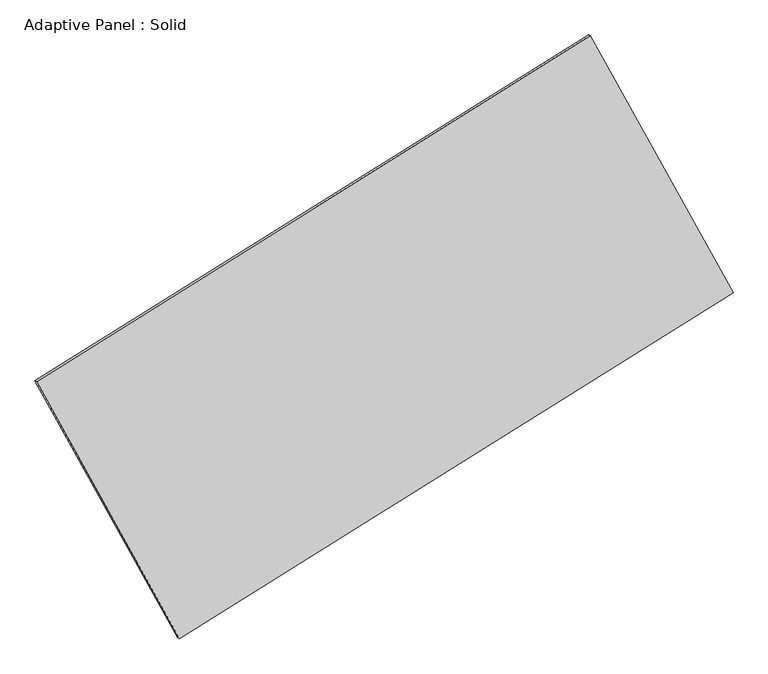
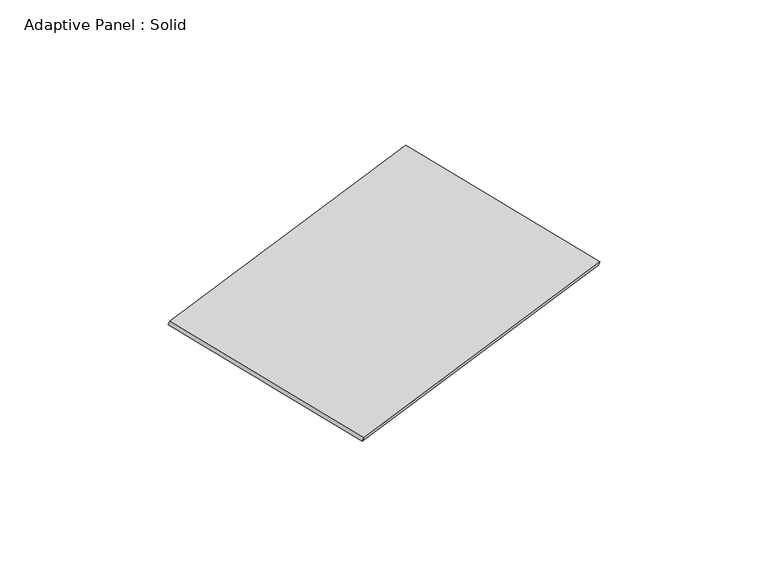
"""IFC4 building model written with IfcOpenShell, lengths in millimetres: plate geometry, Adaptive Panel : Solid."""

from ifc_helpers import new_model, si_unit, frame, origin, place, context, project, spatial, polyline, outline, extrude, source, transform, mapped, element, save


def adaptive_panel_solid_cb4d9eb2(model_context):
    return source(origin(), model_context, "Body", "SweptSolid", [
        extrude(outline(polyline([(-1345.9517165, 2941.1863125), (1345.9517166, 2941.1863125), (1345.9517165, -2941.1863125), (-1345.9517165, -2941.1863126), (-1345.9517165, 2941.1863125)])), frame((-650.8226445, -100.0621432, 871.2806301), z_axis=(0.2933271166111756, -0.12760186928687223, 0.9474581603506668), x_axis=(0.469250816419603, -0.8442360267241349, -0.2589772238452292)), (0.0, 0.0, 1.0), 50.0),
    ])


if __name__ == "__main__":
    model = new_model("IFC4")
    model_context = context("Model", 3, world=origin())
    ifc_project = project(units=[si_unit("LENGTHUNIT", "METRE", prefix="MILLI")], contexts=[model_context])
    site = spatial("IfcSite", under=ifc_project)
    building = spatial("IfcBuilding", under=site)
    placement = place(None, origin())
    adaptive_panel_solid_shape = adaptive_panel_solid_cb4d9eb2(model_context)
    element("IfcPlate", 1, ObjectType="Adaptive Panel : Solid", at=placement, inside=building, context=model_context, shape_type="MappedRepresentation", body=[
        mapped(adaptive_panel_solid_shape, transform((0.0, 0.0, 0.0), x_axis=(1.0, 0.0, 0.0), y_axis=(0.0, 1.0, 0.0), z_axis=(0.0, 0.0, 1.0))),
    ])
    save(model, "model.ifc")
